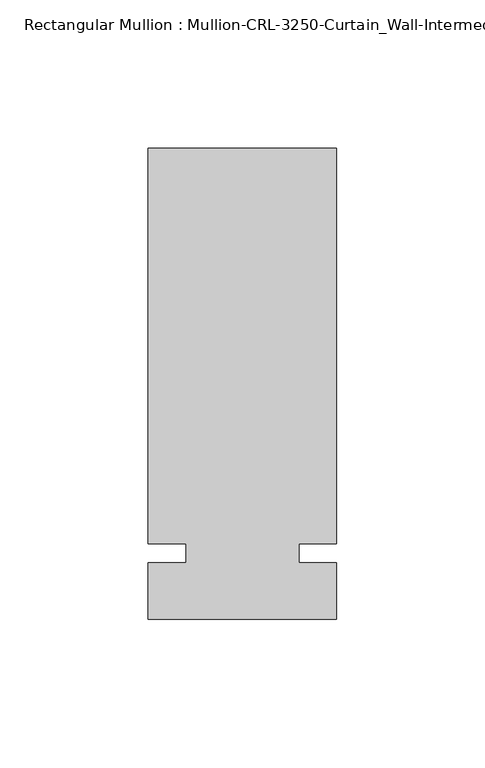
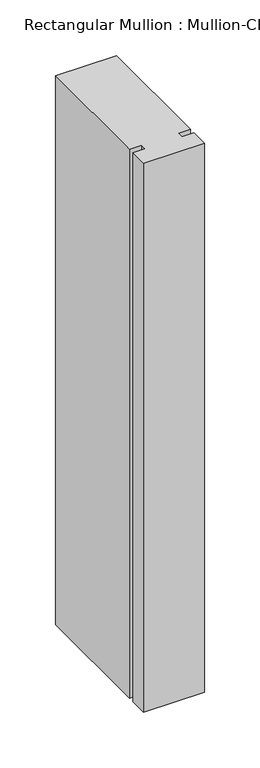
"""IFC4 building model written with IfcOpenShell, lengths in millimetres: member geometry."""

from ifc_helpers import new_model, si_unit, frame, origin, place, context, project, spatial, polyline, outline, extrude, source, transform, mapped, element, save


def member_62311a7b(model_context):
    return source(origin(), model_context, "Body", "SweptSolid", [
        extrude(outline(polyline([(31.7499985, -3.175), (31.7499985, -22.2254168), (-31.7499985, -22.2254168), (-31.7499985, -3.175), (-19.0499985, -3.175), (-19.0499985, 3.175), (-31.7499985, 3.175), (-31.7499985, 136.5246049), (31.7499985, 136.5246049), (31.7499985, 3.175), (19.0499985, 3.175), (19.0499985, -3.175), (31.7499985, -3.175)])), frame((0.0, 0.0, -603.2500015), z_axis=(0.0, 0.0, 1.0), x_axis=(1.0, 0.0, 0.0)), (0.0, 0.0, 1.0), 603.2500015),
    ])


if __name__ == "__main__":
    model = new_model("IFC4")
    model_context = context("Model", 3, world=origin())
    ifc_project = project(units=[si_unit("LENGTHUNIT", "METRE", prefix="MILLI")], contexts=[model_context])
    site = spatial("IfcSite", under=ifc_project)
    building = spatial("IfcBuilding", under=site)
    placement = place(None, origin())
    member_shape = member_62311a7b(model_context)
    element("IfcMember", 1, ObjectType="Rectangular Mullion : Mullion-CRL-3250-Curtain_Wall-Intermediate_Vertical-5\"", at=placement, inside=building, context=model_context, shape_type="MappedRepresentation", body=[
        mapped(member_shape, transform((0.0, 0.0, 0.0), x_axis=(1.0, 0.0, 0.0), y_axis=(0.0, 1.0, 0.0), z_axis=(0.0, 0.0, 1.0))),
    ])
    save(model, "model.ifc")
